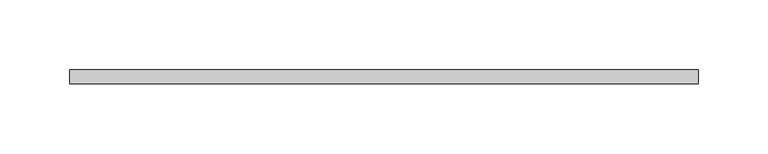
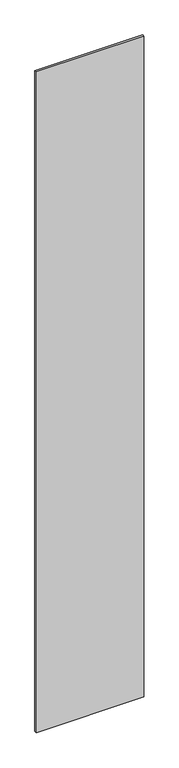
"""IFC4 building model written with IfcOpenShell, lengths in millimetres: plate geometry."""

from ifc_helpers import new_model, si_unit, origin, origin_with_axes, place, context, project, spatial, polyline, outline, extrude, source, transform, mapped, element, save


def plate_9aa423f5(model_context):
    return source(origin(), model_context, "Body", "SweptSolid", [
        extrude(outline(polyline([(225.5659815, -5.0), (-225.5659815, -5.0), (-225.5659815, 5.0), (225.5659815, 5.0), (225.5659815, -5.0)])), origin_with_axes(), (0.0, 0.0, 1.0), 2930.0),
    ])


if __name__ == "__main__":
    model = new_model("IFC4")
    model_context = context("Model", 3, world=origin())
    ifc_project = project(units=[si_unit("LENGTHUNIT", "METRE", prefix="MILLI")], contexts=[model_context])
    site = spatial("IfcSite", under=ifc_project)
    building = spatial("IfcBuilding", under=site)
    placement = place(None, origin())
    plate_shape = plate_9aa423f5(model_context)
    element("IfcPlate", 1, at=placement, inside=building, context=model_context, shape_type="MappedRepresentation", body=[
        mapped(plate_shape, transform((0.0, 0.0, 0.0), x_axis=(1.0, 0.0, 0.0), y_axis=(0.0, 1.0, 0.0), z_axis=(0.0, 0.0, 1.0))),
    ])
    save(model, "model.ifc")
